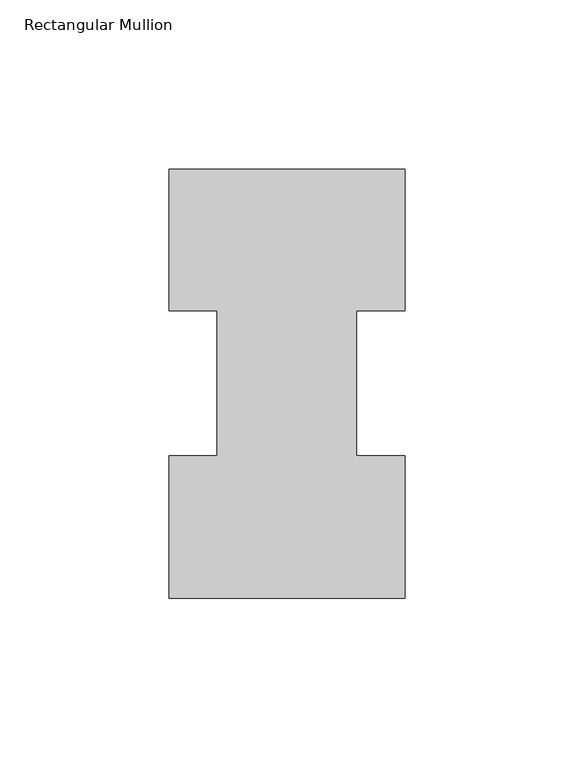
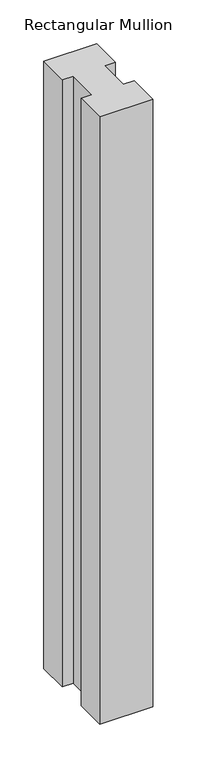
"""IFC4 building model written with IfcOpenShell, lengths in millimetres: member geometry, Rectangular Mullion."""

import ifcopenshell
import ifcopenshell.guid

model = None  # the IFC model being written
_history = None  # IfcOwnerHistory: only IFC2X3 demands one
_inside = {}  # id of a spatial element -> (the spatial element, [elements in it])
_under = {}  # id of a project, library or spatial element -> (it, [spatial elements below it])
_declared = {}  # id of a project -> (the project, [libraries it declares])
_typed = {}  # id of a type object -> (the type object, [elements of that type])
_made_of = {}  # id of a material, layer set ... -> (it, [elements and type objects made of it])


def new_model(schema):
    """Start an empty IFC model of exactly this schema.

    Asked for "IFC4X3", IfcOpenShell would pick the latest addendum, in which some entities
    have other attributes; the version numbers below select the first issue.
    IFC2X3 requires an IfcOwnerHistory on every rooted entity: one is made here for all.
    """
    global model, _history
    if schema == "IFC4X3":
        model = ifcopenshell.file(schema_version=(4, 3, 0, 0))
    else:
        model = ifcopenshell.file(schema=schema)
    _inside.clear()
    _under.clear()
    _declared.clear()
    _typed.clear()
    _made_of.clear()
    _history = None
    if model.schema == "IFC2X3":
        org = make("IfcOrganization", Name="unknown")
        user = make(
            "IfcPersonAndOrganization",
            ThePerson=make("IfcPerson", FamilyName="unknown"),
            TheOrganization=org,
        )
        app = make(
            "IfcApplication",
            ApplicationDeveloper=org,
            Version="unknown",
            ApplicationFullName="unknown",
            ApplicationIdentifier="unknown",
        )
        _history = make(
            "IfcOwnerHistory",
            OwningUser=user,
            OwningApplication=app,
            ChangeAction="ADDED",
            CreationDate=0,
        )
    return model


def make(cls, **values):
    """One entity of the class cls with the attributes given. An attribute that is None is left unset."""
    return model.create_entity(
        cls, **{name: value for name, value in values.items() if value is not None}
    )


def rooted(cls, **values):
    """An entity with a GlobalId (a new one), such as an element, a storey or a relation."""
    return make(cls, GlobalId=ifcopenshell.guid.new(), OwnerHistory=_history, **values)


def si_unit(unit_type, name, prefix=None):
    """IfcSIUnit, for example si_unit("LENGTHUNIT", "METRE", prefix="MILLI")."""
    return make("IfcSIUnit", UnitType=unit_type, Prefix=prefix, Name=name)


def assignment(units):
    """IfcUnitAssignment: the units of a project."""
    return None if units is None else make("IfcUnitAssignment", Units=units)


def point(xyz):
    """IfcCartesianPoint."""
    return None if xyz is None else make("IfcCartesianPoint", Coordinates=xyz)


def direction(xyz):
    """IfcDirection."""
    return None if xyz is None else make("IfcDirection", DirectionRatios=xyz)


def frame(location, z_axis=None, x_axis=None):
    """IfcAxis2Placement3D, a coordinate frame: its origin and axes. An axis left out is left unset."""
    return make(
        "IfcAxis2Placement3D",
        Location=point(location),
        Axis=direction(z_axis),
        RefDirection=direction(x_axis),
    )


def origin():
    """The frame at (0, 0, 0) with its axes left unset."""
    return frame((0.0, 0.0, 0.0))


def place(relative_to, where):
    """IfcLocalPlacement: puts the frame where relative to a parent placement (None: the world)."""
    return make(
        "IfcLocalPlacement", PlacementRelTo=relative_to, RelativePlacement=where
    )


def context(
    kind, dimensions, precision=None, world=None, true_north=None, identifier=None
):
    """IfcGeometricRepresentationContext, for example the 3D "Model" context."""
    return make(
        "IfcGeometricRepresentationContext",
        ContextIdentifier=identifier,
        ContextType=kind,
        CoordinateSpaceDimension=dimensions,
        Precision=precision,
        WorldCoordinateSystem=world,
        TrueNorth=true_north,
    )


def project(units=None, contexts=None):
    """IfcProject with its units and contexts."""
    return rooted(
        "IfcProject",
        Name="project",
        RepresentationContexts=contexts,
        UnitsInContext=assignment(units),
    )


def spatial(cls, under=None, at=None, **own):
    """A site, building, storey or space (cls), placed at a placement, below another one or the project."""
    s = rooted(cls, ObjectPlacement=at, **own)
    if under is not None:
        _under.setdefault(under.id(), (under, []))[1].append(s)
    return s


def polyline(points):
    """IfcPolyline through the points."""
    return make("IfcPolyline", Points=[point(p) for p in points])


def outline(outer, holes=None, kind="AREA"):
    """IfcArbitraryClosedProfileDef: a profile drawn as a closed curve; with holes, ...WithVoids."""
    if holes is None:
        return make("IfcArbitraryClosedProfileDef", ProfileType=kind, OuterCurve=outer)
    return make(
        "IfcArbitraryProfileDefWithVoids",
        ProfileType=kind,
        OuterCurve=outer,
        InnerCurves=holes,
    )


def extrude(swept, where, along, depth):
    """IfcExtrudedAreaSolid: the profile swept, set in the frame where, extruded along a direction by depth."""
    return make(
        "IfcExtrudedAreaSolid",
        SweptArea=swept,
        Position=where,
        ExtrudedDirection=direction(along),
        Depth=depth,
    )


def shape(context_of_items, identifier, shape_type, items):
    """IfcShapeRepresentation: the items that make up one representation, for example the "Body"."""
    return make(
        "IfcShapeRepresentation",
        ContextOfItems=context_of_items,
        RepresentationIdentifier=identifier,
        RepresentationType=shape_type,
        Items=items,
    )


def source(mapping_origin, context_of_items, identifier, shape_type, items):
    """IfcRepresentationMap: a shape defined once, which mapped items show again and again."""
    return make(
        "IfcRepresentationMap",
        MappingOrigin=mapping_origin,
        MappedRepresentation=shape(context_of_items, identifier, shape_type, items),
    )


def transform(
    local_origin,
    x_axis=None,
    y_axis=None,
    z_axis=None,
    scale=None,
    scale2=None,
    scale3=None,
    uniform=True,
):
    """IfcCartesianTransformationOperator3D, or its non-uniform kind. x_axis, y_axis, z_axis: its Axis1, 2, 3."""
    if uniform:
        return make(
            "IfcCartesianTransformationOperator3D",
            Axis1=direction(x_axis),
            Axis2=direction(y_axis),
            LocalOrigin=point(local_origin),
            Scale=scale,
            Axis3=direction(z_axis),
        )
    return make(
        "IfcCartesianTransformationOperator3DnonUniform",
        Axis1=direction(x_axis),
        Axis2=direction(y_axis),
        LocalOrigin=point(local_origin),
        Scale=scale,
        Axis3=direction(z_axis),
        Scale2=scale2,
        Scale3=scale3,
    )


def mapped(mapping_source, mapping_target):
    """IfcMappedItem: shows the shape of a source again, moved by a transform."""
    return make(
        "IfcMappedItem", MappingSource=mapping_source, MappingTarget=mapping_target
    )


def made_of(thing, what):
    """Note that an element or type object is made of a material, layer set ...; save() writes the relation."""
    if what is not None:
        _made_of.setdefault(what.id(), (what, []))[1].append(thing)
    return thing


def element(
    cls,
    number,
    at=None,
    inside=None,
    cuts=None,
    type_object=None,
    material=None,
    context=None,
    identifier="Body",
    shape_type=None,
    held_by="IfcProductDefinitionShape",
    body=None,
    shapes=None,
    **own,
):
    """One element of the class cls, such as IfcWall. Its Tag is "e" and its number.

    at: its placement. inside: the storey or other place that contains it. cuts: it is an
    opening in that element (IfcRelVoidsElement). A single representation is given by context,
    identifier, shape_type and body (its items); several are given by shapes. held_by: the class
    of the entity that holds the representations. save() writes the other relations.
    """
    e = rooted(cls, Tag="e%d" % number, ObjectPlacement=at, **own)
    if body is not None:
        shapes = [shape(context, identifier, shape_type, body)]
    if shapes is not None:
        e.Representation = make(held_by, Representations=shapes)
    if inside is not None:
        _inside.setdefault(inside.id(), (inside, []))[1].append(e)
    if cuts is not None:
        rooted(
            "IfcRelVoidsElement", RelatingBuildingElement=cuts, RelatedOpeningElement=e
        )
    if type_object is not None:
        _typed.setdefault(type_object.id(), (type_object, []))[1].append(e)
    return made_of(e, material)


def aggregate(whole, parts):
    """IfcRelAggregates: a whole, such as a stair, and the parts it consists of."""
    return rooted("IfcRelAggregates", RelatingObject=whole, RelatedObjects=parts)


def save(model, path):
    """Write the relations noted so far, then the file.

    IfcRelAggregates (storeys below a building ...), IfcRelContainedInSpatialStructure (elements
    in a storey), IfcRelDefinesByType, IfcRelAssociatesMaterial and IfcRelDeclares: one each for
    every whole, place, type object, material and project.
    """
    for whole, parts in _under.values():
        aggregate(whole, parts)
    for where, things in _inside.values():
        rooted(
            "IfcRelContainedInSpatialStructure",
            RelatedElements=things,
            RelatingStructure=where,
        )
    for kind, things in _typed.values():
        rooted("IfcRelDefinesByType", RelatedObjects=things, RelatingType=kind)
    for what, things in _made_of.values():
        rooted("IfcRelAssociatesMaterial", RelatedObjects=things, RelatingMaterial=what)
    for by, libraries in _declared.values():
        rooted("IfcRelDeclares", RelatingContext=by, RelatedDefinitions=libraries)
    model.write(path)


def rectangular_mullion_7d2c63bd(model_context):
    return source(origin(), model_context, "Body", "SweptSolid", [
        extrude(outline(polyline([(34.925, 127.0142875), (34.925, 85.1296875), (20.64004, 85.1296875), (20.64004, 42.2798875), (34.925, 42.2798875), (34.925, 0.0142875), (-34.925, 0.0142875), (-34.925, 42.2869908), (-20.64004, 42.2869908), (-20.64004, 85.1296875), (-34.925, 85.1296875), (-34.925, 127.0142875), (34.925, 127.0142875)])), frame((0.0, 0.0, -844.55), z_axis=(0.0, 0.0, 1.0), x_axis=(1.0, 0.0, 0.0)), (0.0, 0.0, 1.0), 844.55),
    ])


if __name__ == "__main__":
    model = new_model("IFC4")
    model_context = context("Model", 3, world=origin())
    ifc_project = project(units=[si_unit("LENGTHUNIT", "METRE", prefix="MILLI")], contexts=[model_context])
    site = spatial("IfcSite", under=ifc_project)
    building = spatial("IfcBuilding", under=site)
    placement = place(None, origin())
    rectangular_mullion_shape = rectangular_mullion_7d2c63bd(model_context)
    element("IfcMember", 1, ObjectType="Rectangular Mullion", at=placement, inside=building, context=model_context, shape_type="MappedRepresentation", body=[
        mapped(rectangular_mullion_shape, transform((0.0, 0.0, 0.0), x_axis=(1.0, 0.0, 0.0), y_axis=(0.0, 1.0, 0.0), z_axis=(0.0, 0.0, 1.0))),
    ])
    save(model, "model.ifc")
